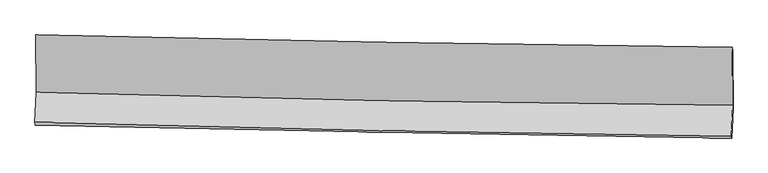
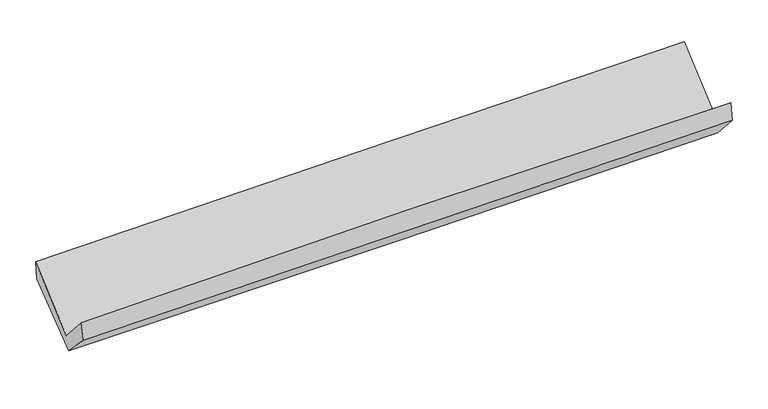
"""IFC4 building model written with IfcOpenShell, lengths in millimetres: proxy geometry."""

from ifc_helpers import new_model, si_unit, frame, origin, place, context, project, spatial, source, transform, mapped, element, save
from ifc_brep_helpers import plane_surface, spline_curve, spline_surface, advanced_brep


def generic_models_2f3017d2(model_context):
    return source(origin(), model_context, "Body", "AdvancedBrep", [
        advanced_brep(
        [(-3021.0284101, -1161.8699697, 2160.6724395), (-3016.6095731, -1656.0534458, 1725.2815771), (3008.8830183, -1769.2324148, 1861.6236386), (3004.4367455, -1269.4425054, 2301.0461429), (-3027.3616811, -1917.2934554, 2018.6367889), (2997.7333273, -2039.4198327, 2166.1992167), (-3023.7518556, -1944.6826936, 1859.9107268), (3001.7873545, -2054.1562188, 1996.3273685), (-3013.7410171, -1688.9343189, 1593.3318292), (3011.9944527, -1802.3102911, 1719.8557583), (-3017.1594895, -1175.8751678, 1998.5874541), (3008.3034727, -1298.0959252, 2131.3824945)],
        [
            (0, 1),
            (1, 2, spline_curve(3, [(-3016.6095731, -1656.0534458, 1725.2815771), (-2012.827587102, -1686.150800684, 1760.25008226), (-1008.805382127, -1710.631111128, 1789.09624467), (999.69216118, -1748.357128416, 1834.543265313), (2004.167486908, -1761.603141403, 1851.14445696), (3008.8830183, -1769.2324148, 1861.6236386)], [4, 2, 4], [0.0, 9.88892562945695, 19.777582398203613])),
            (2, 3),
            (3, 0, spline_curve(3, [(3004.4367455, -1269.4425054, 2301.0461429), (1999.900688944, -1256.637372917, 2286.096921861), (995.517388158, -1241.270585389, 2266.924719125), (-1012.971005381, -1205.413212759, 2220.133714188), (-2017.076089665, -1184.922488577, 2192.514682456), (-3021.0284101, -1161.8699697, 2160.6724395)], [4, 2, 4], [0.0, 9.888656768746664, 19.777582398203613])),
            (1, 4),
            (4, 5, spline_curve(3, [(-3027.3616811, -1917.2934554, 2018.6367889), (-2023.792867873, -1946.103212144, 2062.805993088), (-1019.910380622, -1970.685369374, 2097.187498561), (988.454639276, -2011.393932025, 2146.374441981), (1992.937154826, -2027.52056716, 2161.180412898), (2997.7333273, -2039.4198327, 2166.1992167)], [4, 2, 4], [0.0, 9.889200343756928, 19.77813181933462])),
            (5, 2),
            (4, 6),
            (6, 7, spline_curve(3, [(-3023.7518556, -1944.6826936, 1859.9107268), (-2019.625338469, -1965.406757958, 1886.003802463), (-1015.426985182, -1984.891690998, 1910.418525566), (993.086088823, -2021.382798934, 1955.890647876), (1997.400805819, -2038.3890406, 1976.948138956), (3001.7873545, -2054.1562188, 1996.3273685)], [4, 2, 4], [0.0, 9.888950710186949, 19.777632558981715])),
            (7, 5),
            (6, 8),
            (8, 9, spline_curve(3, [(-3013.7410171, -1688.9343189, 1593.3318292), (-2009.516369695, -1711.609615633, 1614.478526197), (-1005.25259644, -1732.395364541, 1635.595678173), (1003.325895592, -1770.187252308, 1677.770319496), (2007.640612508, -1787.193494479, 1698.827810391), (3011.9944527, -1802.3102911, 1719.8557583)], [4, 2, 4], [0.0, 9.888767424138559, 19.777265991868127])),
            (9, 7),
            (8, 10),
            (10, 11, spline_curve(3, [(-3017.1594895, -1175.8751678, 1998.5874541), (-2013.071096215, -1202.972877205, 2022.869720741), (-1008.89815925, -1226.70688755, 2046.07724348), (999.589499636, -1267.446957421, 2090.342198373), (2003.904216311, -1284.453199219, 2111.399689464), (3008.3034727, -1298.0959252, 2131.3824945)], [4, 2, 4], [0.0, 9.888865570177776, 19.77746228127816])),
            (11, 9),
            (10, 0),
            (3, 11),
        ],
        [
            spline_surface(3, 3, [[(-3021.0284101, -1161.8699697, 2160.6724395), (-2017.076089826, -1184.922488439, 2192.514682501), (-1012.971005361, -1205.413212767, 2220.133714231), (995.517388138, -1241.27058538, 2266.924719082), (1999.900688888, -1256.637372929, 2286.096921774), (3004.4367455, -1269.4425054, 2301.0461429)], [(-3019.555464442, -1326.597795083, 2015.542152037), (-2015.659922264, -1351.998592588, 2048.426482425), (-1011.582464336, -1373.819178828, 2076.454557667), (996.908979171, -1410.299433093, 2122.797567878), (2001.322954878, -1424.959295757, 2141.112766842), (3005.918836423, -1436.039141868, 2154.571974787)], [(-3018.082518758, -1491.325620417, 1870.411864563), (-2014.243754676, -1519.074696688, 1904.338282337), (-1010.19392326, -1542.225144927, 1932.77540109), (998.300570254, -1579.328280843, 1978.670416662), (2002.745220899, -1593.281218582, 1996.12861195), (3007.400927377, -1602.635778332, 2008.097806713)], [(-3016.6095731, -1656.0534458, 1725.2815771), (-2012.827587115, -1686.150800837, 1760.250082261), (-1008.805382234, -1710.631110988, 1789.096244525), (999.692161286, -1748.357128556, 1834.543265459), (2004.167486889, -1761.603141411, 1851.144457018), (3008.8830183, -1769.2324148, 1861.6236386)]], [4, 4], [4, 2, 4], [0.0, 2.182635248092483], [0.0, 9.88892562945695, 19.777582398203613]),
            spline_surface(3, 3, [[(-3016.6095731, -1656.0534458, 1725.2815771), (-2012.827587115, -1686.150800837, 1760.250082261), (-1008.805382234, -1710.631110988, 1789.096244525), (999.692161286, -1748.357128556, 1834.543265459), (2004.167486889, -1761.603141411, 1851.144457018), (3008.8830183, -1769.2324148, 1861.6236386)], [(-3020.193609109, -1743.133448988, 1823.066647705), (-2016.482680674, -1772.801604586, 1861.102052567), (-1012.507048357, -1797.315863812, 1891.79332915), (995.946320609, -1836.036063041, 1938.486991012), (2000.424042891, -1850.242283298, 1954.489775616), (3005.166454636, -1859.29488742, 1963.148831296)], [(-3023.777645091, -1830.213452212, 1920.851718295), (-2020.137774207, -1859.452408372, 1961.954022858), (-1016.208714479, -1884.0006166, 1994.490413786), (992.200479933, -1923.71499749, 2042.430716577), (1996.680598885, -1938.881425227, 2057.835094225), (3001.449890964, -1949.35736008, 2064.674024004)], [(-3027.3616811, -1917.2934554, 2018.6367889), (-2023.792867767, -1946.103212121, 2062.805993163), (-1019.910380603, -1970.685369424, 2097.187498411), (988.454639256, -2011.393931975, 2146.374442131), (1992.937154887, -2027.520567114, 2161.180412824), (2997.7333273, -2039.4198327, 2166.1992167)]], [4, 4], [4, 2, 4], [0.0, 1.3310944601872587], [0.0, 9.889200343756928, 19.77813181933462]),
            spline_surface(3, 3, [[(-3027.3616811, -1917.2934554, 2018.6367889), (-2023.792867767, -1946.103212121, 2062.805993163), (-1019.910380603, -1970.685369424, 2097.187498411), (988.454639256, -2011.393931975, 2146.374442131), (1992.937154887, -2027.520567114, 2161.180412824), (2997.7333273, -2039.4198327, 2166.1992167)], [(-3026.158405929, -1926.423201474, 1965.728101539), (-2022.403691282, -1952.537727406, 2003.87192957), (-1018.415915455, -1975.420809964, 2034.93117407), (989.998455759, -2014.723554225, 2082.879844096), (1994.425038465, -2031.143391653, 2099.769654859), (2999.084669687, -2044.331961405, 2109.575267307)], [(-3024.955130771, -1935.552947526, 1912.819414161), (-2021.014514811, -1958.972242668, 1944.93786596), (-1016.921450289, -1980.156250585, 1972.674849744), (991.54227228, -2018.053176557, 2019.385246075), (1995.912922083, -2034.766216176, 2038.358896872), (3000.436012113, -2049.244090095, 2052.951317893)], [(-3023.7518556, -1944.6826936, 1859.9107268), (-2019.625338327, -1965.406757953, 1886.003802367), (-1015.426985142, -1984.891691125, 1910.418525403), (993.086088783, -2021.382798807, 1955.89064804), (1997.400805661, -2038.389040715, 1976.948138908), (3001.7873545, -2054.1562188, 1996.3273685)]], [4, 4], [4, 2, 4], [0.0, 0.6203045109108478], [0.0, 9.888950710186949, 19.777632558981715]),
            spline_surface(3, 3, [[(-3023.7518556, -1944.6826936, 1859.9107268), (-2019.625338327, -1965.406757953, 1886.003802367), (-1015.426985142, -1984.891691125, 1910.418525403), (993.086088783, -2021.382798807, 1955.89064804), (1997.400805661, -2038.389040715, 1976.948138908), (3001.7873545, -2054.1562188, 1996.3273685)], [(-3020.41490942, -1859.433235375, 1771.051094259), (-2016.255682054, -1880.807710508, 1795.495376918), (-1012.035522239, -1900.726248902, 1818.810909664), (996.499357722, -1937.650950017, 1863.183871895), (2000.8140746, -1954.657191925, 1884.241362763), (3005.189720569, -1970.207576241, 1904.170165088)], [(-3017.07796328, -1774.183777125, 1682.191461741), (-2012.886025822, -1796.208663038, 1704.986951494), (-1008.644059344, -1816.560806657, 1727.203293863), (999.912626654, -1853.919101205, 1770.477095689), (2004.227343532, -1870.925343113, 1791.534586657), (3008.592086631, -1886.258933659, 1812.012961712)], [(-3013.7410171, -1688.9343189, 1593.3318292), (-2009.516369549, -1711.609615593, 1614.478526046), (-1005.252596441, -1732.395364434, 1635.595678124), (1003.325895593, -1770.187252415, 1677.770319545), (2007.640612471, -1787.193494323, 1698.827810513), (3011.9944527, -1802.3102911, 1719.8557583)]], [4, 4], [4, 2, 4], [0.0, 1.2274335618458572], [0.0, 9.888767424138559, 19.777265991868127]),
            spline_surface(3, 3, [[(-3013.7410171, -1688.9343189, 1593.3318292), (-2009.516369549, -1711.609615593, 1614.478526046), (-1005.252596441, -1732.395364434, 1635.595678124), (1003.325895593, -1770.187252415, 1677.770319545), (2007.640612471, -1787.193494323, 1698.827810513), (3011.9944527, -1802.3102911, 1719.8557583)], [(-3014.880507916, -1517.914601843, 1728.417037507), (-2010.701278485, -1542.064036099, 1750.608924312), (-1006.467783987, -1563.832538863, 1772.42286654), (1002.080430262, -1602.607154046, 1815.294279164), (2006.39514714, -1619.613395954, 1836.351770133), (3010.764126056, -1634.23883581, 1857.031337054)], [(-3016.019998684, -1346.894884857, 1863.502245793), (-2011.886187374, -1372.518456677, 1886.739322557), (-1007.682971599, -1395.269713262, 1909.250054994), (1000.834964863, -1435.027055649, 1952.818238823), (2005.149681741, -1452.033297557, 1973.875729691), (3009.533799344, -1466.16738049, 1994.206915746)], [(-3017.1594895, -1175.8751678, 1998.5874541), (-2013.07109631, -1202.972877183, 2022.869720824), (-1008.898159144, -1226.70688769, 2046.07724341), (999.589499531, -1267.44695728, 2090.342198443), (2003.904216409, -1284.453199188, 2111.399689311), (3008.3034727, -1298.0959252, 2131.3824945)]], [4, 4], [4, 2, 4], [0.0, 2.1353202987708575], [0.0, 9.888865570177776, 19.77746228127816]),
            spline_surface(3, 3, [[(-3017.1594895, -1175.8751678, 1998.5874541), (-2013.07109631, -1202.972877183, 2022.869720824), (-1008.898159144, -1226.70688769, 2046.07724341), (999.589499531, -1267.44695728, 2090.342198443), (2003.904216409, -1284.453199188, 2111.399689311), (3008.3034727, -1298.0959252, 2131.3824945)], [(-3018.449129685, -1171.206768437, 2052.615782552), (-2014.406094133, -1196.956080939, 2079.418041369), (-1010.255774551, -1219.60899606, 2104.096067014), (998.232129065, -1258.721499991, 2149.203038653), (2002.569707231, -1275.181257092, 2169.632100133), (3007.014563629, -1288.544785257, 2187.937043968)], [(-3019.738769915, -1166.538369063, 2106.644111048), (-2015.741092002, -1190.939284683, 2135.966361956), (-1011.613389954, -1212.511104398, 2162.114890627), (996.874758604, -1249.99604267, 2208.063878872), (2001.235198066, -1265.909315025, 2227.864510951), (3005.725654571, -1278.993645343, 2244.491593432)], [(-3021.0284101, -1161.8699697, 2160.6724395), (-2017.076089826, -1184.922488439, 2192.514682501), (-1012.971005361, -1205.413212767, 2220.133714231), (995.517388138, -1241.27058538, 2266.924719082), (1999.900688888, -1256.637372929, 2286.096921774), (3004.4367455, -1269.4425054, 2301.0461429)]], [4, 4], [4, 2, 4], [0.0, 0.5805960157915782], [0.0, 9.888852705036674, 19.777436551345737]),
            plane_surface(frame((3005.5230618, -1705.4428647, 2029.4057699), z_axis=(0.9996021310387354, -0.013079112290641728, 0.02499032701882644), x_axis=(-0.005671052996996714, 0.7747065664986644, 0.6322954807538606))),
            plane_surface(frame((-3019.9420044, -1590.7848419, 1892.7368026), z_axis=(-0.9996021310385632, 0.013079112295391762, -0.024990327023224984), x_axis=(0.023774371096473138, -0.08606141478910136, -0.9960061305852819))),
        ],
        [
            (0, [[1, 2, 3, 4]]),
            (1, [[5, 6, 7, -2]]),
            (2, [[8, 9, 10, -6]]),
            (3, [[11, 12, 13, -9]]),
            (4, [[14, 15, 16, -12]]),
            (5, [[17, -4, 18, -15]]),
            (6, [[-16, -18, -3, -7, -10, -13]]),
            (7, [[-17, -14, -11, -8, -5, -1]]),
        ],
    ),
    ])


if __name__ == "__main__":
    model = new_model("IFC4")
    model_context = context("Model", 3, world=origin())
    ifc_project = project(units=[si_unit("LENGTHUNIT", "METRE", prefix="MILLI")], contexts=[model_context])
    site = spatial("IfcSite", under=ifc_project)
    building = spatial("IfcBuilding", under=site)
    placement = place(None, origin())
    generic_models_shape = generic_models_2f3017d2(model_context)
    element("IfcBuildingElementProxy", 1, Name="Generic Models", at=placement, inside=building, context=model_context, shape_type="MappedRepresentation", body=[
        mapped(generic_models_shape, transform((0.0, 0.0, 0.0), x_axis=(1.0, 0.0, 0.0), y_axis=(0.0, 1.0, 0.0), z_axis=(0.0, 0.0, 1.0))),
    ])
    save(model, "model.ifc")
